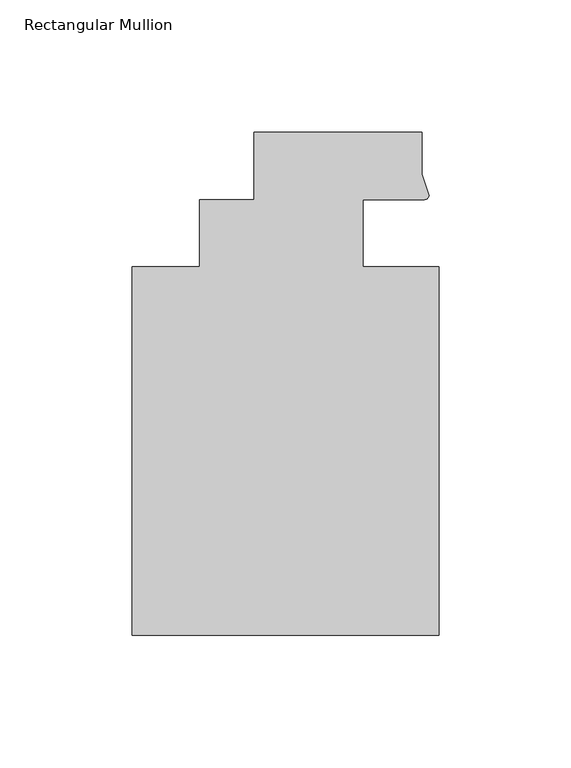
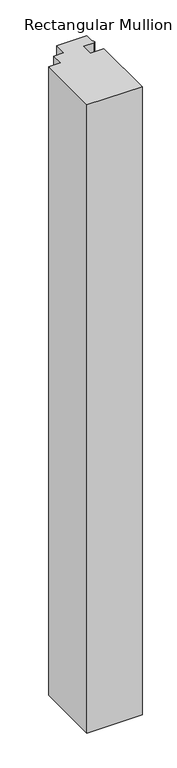
"""IFC4 building model written with IfcOpenShell, lengths in millimetres: member geometry, Rectangular Mullion."""

from ifc_helpers import new_model, si_unit, point, frame, frame_2d, origin, place, context, project, spatial, polyline, circle_curve, trimmed, segment, composite_curve, outline, extrude, source, transform, mapped, element, save


def rectangular_mullion_65ce4fe3(model_context):
    return source(origin(), model_context, "Body", "SweptSolid", [
        extrude(outline(composite_curve([segment(polyline([(48.2997293, 12.7000881), (25.0401592, 12.7000881), (25.0401592, -12.7), (53.615046, -12.7), (53.615046, -151.892), (-62.2957636, -151.892), (-62.2957636, -12.7), (-36.8958768, -12.7), (-36.8958768, 12.7), (-16.234954, 12.7), (-16.234954, 38.1), (47.265046, 38.1), (47.265046, 22.2250977), (49.9159011, 14.2884292)]), True, "CONTINUOUS"), segment(trimmed(circle_curve(frame_2d((48.2162832, 14.401412)), 1.703369), [point((49.9159011, 14.2884292))], [point((48.2997293, 12.7000881))], False, "CARTESIAN"), True, "CONTINUOUS")], self_intersect=False)), frame((0.0, 0.0, -1398.883135), z_axis=(0.0, 0.0, 1.0), x_axis=(1.0, 0.0, 0.0)), (0.0, 0.0, 1.0), 1398.883135),
    ])


if __name__ == "__main__":
    model = new_model("IFC4")
    model_context = context("Model", 3, world=origin())
    ifc_project = project(units=[si_unit("LENGTHUNIT", "METRE", prefix="MILLI")], contexts=[model_context])
    site = spatial("IfcSite", under=ifc_project)
    building = spatial("IfcBuilding", under=site)
    placement = place(None, origin())
    rectangular_mullion_shape = rectangular_mullion_65ce4fe3(model_context)
    element("IfcMember", 1, ObjectType="Rectangular Mullion", at=placement, inside=building, context=model_context, shape_type="MappedRepresentation", body=[
        mapped(rectangular_mullion_shape, transform((0.0, 0.0, 0.0), x_axis=(1.0, 0.0, 0.0), y_axis=(0.0, 1.0, 0.0), z_axis=(0.0, 0.0, 1.0))),
    ])
    save(model, "model.ifc")
